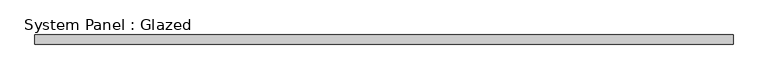
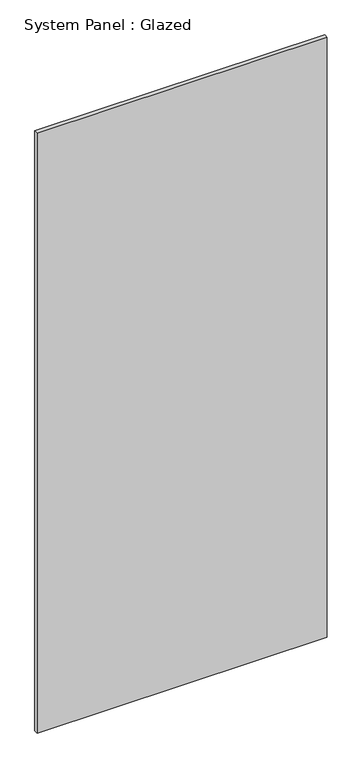
"""IFC4 building model written with IfcOpenShell, lengths in millimetres: plate geometry, System Panel : Glazed."""

from ifc_helpers import new_model, si_unit, origin, origin_with_axes, place, context, project, spatial, polyline, outline, extrude, source, transform, mapped, element, save


def system_panel_glazed_055f5726(model_context):
    return source(origin(), model_context, "Body", "SweptSolid", [
        extrude(outline(polyline([(915.0, -49.5), (-915.0, -49.5), (-915.0, -24.5), (915.0, -24.5), (915.0, -49.5)])), origin_with_axes(), (0.0, 0.0, 1.0), 4000.0),
    ])


if __name__ == "__main__":
    model = new_model("IFC4")
    model_context = context("Model", 3, world=origin())
    ifc_project = project(units=[si_unit("LENGTHUNIT", "METRE", prefix="MILLI")], contexts=[model_context])
    site = spatial("IfcSite", under=ifc_project)
    building = spatial("IfcBuilding", under=site)
    placement = place(None, origin())
    system_panel_glazed_shape = system_panel_glazed_055f5726(model_context)
    element("IfcPlate", 1, ObjectType="System Panel : Glazed", at=placement, inside=building, context=model_context, shape_type="MappedRepresentation", body=[
        mapped(system_panel_glazed_shape, transform((0.0, 0.0, 0.0), x_axis=(1.0, 0.0, 0.0), y_axis=(0.0, 1.0, 0.0), z_axis=(0.0, 0.0, 1.0))),
    ])
    save(model, "model.ifc")
